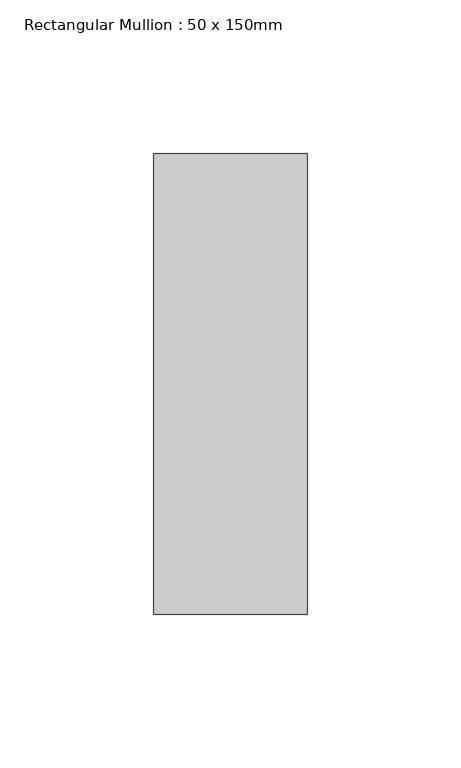
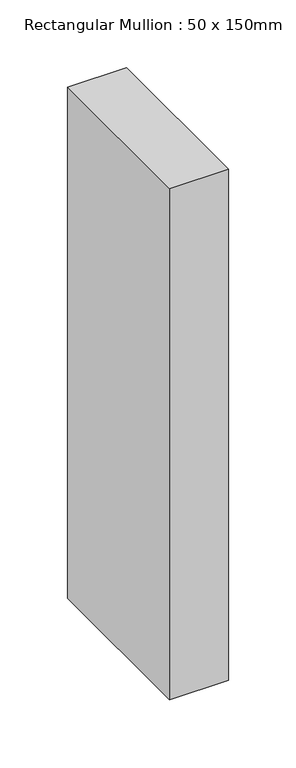
"""IFC4 building model written with IfcOpenShell, lengths in millimetres: member geometry, Rectangular Mullion : 50 x 150mm."""

from ifc_helpers import new_model, si_unit, frame, origin, place, context, project, spatial, polyline, outline, extrude, source, transform, mapped, element, save


def rectangular_mullion_50_x_150mm_1fff7c8c(model_context):
    return source(origin(), model_context, "Body", "SweptSolid", [
        extrude(outline(polyline([(0.0, 75.0), (0.0, -75.0), (-50.0, -75.0), (-50.0, 75.0), (0.0, 75.0)])), frame((0.0, 0.0, -460.0), z_axis=(0.0, 0.0, 1.0), x_axis=(1.0, 0.0, 0.0)), (0.0, 0.0, 1.0), 460.0),
    ])


if __name__ == "__main__":
    model = new_model("IFC4")
    model_context = context("Model", 3, world=origin())
    ifc_project = project(units=[si_unit("LENGTHUNIT", "METRE", prefix="MILLI")], contexts=[model_context])
    site = spatial("IfcSite", under=ifc_project)
    building = spatial("IfcBuilding", under=site)
    placement = place(None, origin())
    rectangular_mullion_50_x_150mm_shape = rectangular_mullion_50_x_150mm_1fff7c8c(model_context)
    element("IfcMember", 1, ObjectType="Rectangular Mullion : 50 x 150mm", at=placement, inside=building, context=model_context, shape_type="MappedRepresentation", body=[
        mapped(rectangular_mullion_50_x_150mm_shape, transform((0.0, 0.0, 0.0), x_axis=(1.0, 0.0, 0.0), y_axis=(0.0, 1.0, 0.0), z_axis=(0.0, 0.0, 1.0))),
    ])
    save(model, "model.ifc")
